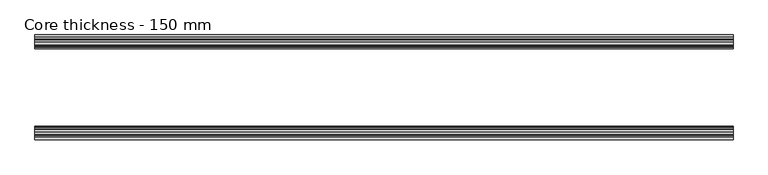
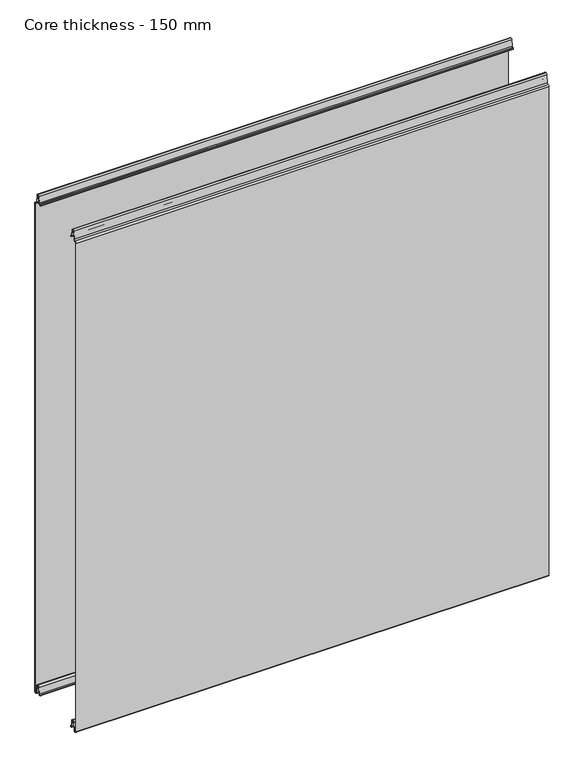
"""IFC4 building model written with IfcOpenShell, lengths in millimetres: plate geometry, Core thickness - 150 mm."""

from ifc_helpers import new_model, si_unit, frame, origin, place, context, project, spatial, polyline, circle_curve, source, transform, mapped, element, save
from ifc_brep_helpers import plane_surface, cylinder_surface, revolved_surface, advanced_brep


def core_thickness_150_mm_6a1f73e3(model_context):
    return source(origin(), model_context, "Body", "AdvancedBrep", [
        advanced_brep(
        [(500.0000002, -149.1996949, 1093.8000005), (500.0000002, -146.6339815, 1096.1942726), (500.0000002, -143.1209335, 1099.1779769), (500.0000002, -141.4584333, 1116.1334653), (500.0000002, -139.1776715, 1118.1999998), (500.0000002, -136.8969097, 1116.1334653), (500.0000002, -135.5642071, 1102.5415123), (500.0000002, -132.9766159, 1100.1952279), (500.0000002, -131.8996949, 1100.1952279), (500.0000002, -131.2996949, 1099.5952279), (500.0000002, -131.2996949, 1098.4952279), (500.0000002, -130.4996949, 1098.4952279), (500.0000002, -130.4996949, 1099.5952279), (500.0000002, -131.8996949, 1100.9952279), (500.0000002, -132.9766159, 1100.9952279), (500.0000002, -134.7680252, 1102.6195786), (500.0000002, -136.1007278, 1116.2115316), (500.0000002, -139.1776715, 1119.0), (500.0000002, -142.2546153, 1116.2115316), (500.0000002, -143.9171154, 1099.2560432), (500.0000002, -146.5778021, 1097.005967), (500.0000002, -149.9996949, 1093.8000005), (500.0000002, -149.9996949, 2.9900682), (500.0000002, -143.81449, 2.6875612), (500.0000002, -142.197116, 19.1828169), (500.0000002, -139.1776715, 21.8898782), (500.0000002, -136.1582271, 19.1828169), (500.0000002, -134.7725998, 5.0510966), (500.0000002, -130.3830995, 5.265779), (500.0000002, -131.1830995, 5.265779), (500.0000002, -133.9764178, 5.1291629), (500.0000002, -135.3620451, 19.2608832), (500.0000002, -139.1776715, 22.6899182), (500.0000002, -142.9932979, 19.2608832), (500.0000002, -144.6106719, 2.7656275), (500.0000002, -149.1996949, 2.9900682), (-500.0000002, -149.2, 1093.8000005), (-500.0000002, -149.2, 2.9900682), (-500.0000002, -144.6106719, 2.7656275), (-500.0000002, -142.9932979, 19.2608832), (-500.0000002, -139.1776715, 22.6899182), (-500.0000002, -135.3620451, 19.2608832), (-500.0000002, -133.9764178, 5.1291629), (-500.0000002, -131.1830995, 5.265779), (-500.0000002, -130.3830995, 5.265779), (-500.0000002, -134.7725998, 5.0510966), (-500.0000002, -136.1582271, 19.1828169), (-500.0000002, -139.1776715, 21.8898782), (-500.0000002, -142.197116, 19.1828169), (-500.0000002, -143.81449, 2.6875612), (-500.0000002, -149.9996949, 2.9900682), (-500.0000002, -149.9996949, 1093.8000005), (-500.0000002, -146.5787437, 1096.9923633), (-500.0000002, -143.9171154, 1099.2560432), (-500.0000002, -142.2546153, 1116.2115316), (-500.0000002, -139.1776715, 1119.0), (-500.0000002, -136.1007278, 1116.2115316), (-500.0000002, -134.7680252, 1102.6195786), (-500.0000002, -132.9766159, 1100.9952279), (-500.0000002, -131.8996949, 1100.9952279), (-500.0000002, -130.4996949, 1099.5952279), (-500.0000002, -130.4996949, 1098.4952279), (-500.0000002, -131.2996949, 1098.4952279), (-500.0000002, -131.2996949, 1099.5952279), (-500.0000002, -131.8996949, 1100.1952279), (-500.0000002, -132.9766159, 1100.1952279), (-500.0000002, -135.5642071, 1102.5415123), (-500.0000002, -136.8969097, 1116.1334653), (-500.0000002, -139.1776715, 1118.1999998), (-500.0000002, -141.4584333, 1116.1334653), (-500.0000002, -143.1209335, 1099.1779769), (-500.0000002, -146.6330399, 1096.2078763)],
        [
            (0, 1, circle_curve(frame((500.0000002, -146.7996949, 1093.8000005), z_axis=(-1.0, 0.0, 0.0), x_axis=(0.0, 0.0, -1.0)), 2.4)),
            (1, 2, circle_curve(frame((500.0000002, -146.4051839, 1099.5000005), z_axis=(1.0, 0.0, 0.0), x_axis=(0.0, 0.0, -1.0)), 3.3)),
            (2, 3),
            (3, 4, circle_curve(frame((500.0000002, -139.1793626, 1115.9100005), z_axis=(-1.0, 0.0, 0.0), x_axis=(0.0, 0.0, -1.0)), 2.29)),
            (4, 5, circle_curve(frame((500.0000002, -139.1759805, 1115.9100005), z_axis=(-1.0, 0.0, 0.0), x_axis=(0.0, 0.0, -1.0)), 2.29)),
            (5, 6),
            (6, 7, circle_curve(frame((500.0000002, -132.9766159, 1102.7952279), z_axis=(1.0, 0.0, 0.0), x_axis=(0.0, 0.0, -1.0)), 2.6)),
            (7, 8),
            (8, 9, circle_curve(frame((500.0000002, -131.8996949, 1099.5952279), z_axis=(-1.0, 0.0, 0.0), x_axis=(0.0, 0.0, -1.0)), 0.6)),
            (9, 10),
            (10, 11),
            (11, 12),
            (12, 13, circle_curve(frame((500.0000002, -131.8996949, 1099.5952279), z_axis=(1.0, 0.0, 0.0), x_axis=(0.0, 0.0, -1.0)), 1.4)),
            (13, 14),
            (14, 15, circle_curve(frame((500.0000002, -132.9766159, 1102.7952279), z_axis=(-1.0, 0.0, 0.0), x_axis=(0.0, 0.0, -1.0)), 1.8)),
            (15, 16),
            (16, 17, circle_curve(frame((500.0000002, -139.1759805, 1115.9100005), z_axis=(1.0, 0.0, 0.0), x_axis=(0.0, 0.0, -1.0)), 3.09)),
            (17, 18, circle_curve(frame((500.0000002, -139.1793626, 1115.9100005), z_axis=(1.0, 0.0, 0.0), x_axis=(0.0, 0.0, -1.0)), 3.09)),
            (18, 19),
            (19, 20, circle_curve(frame((500.0000002, -146.4051839, 1099.5000005), z_axis=(-1.0, 0.0, 0.0), x_axis=(0.0, 0.0, -1.0)), 2.5)),
            (20, 21, circle_curve(frame((500.0000002, -146.7996949, 1093.8000005), z_axis=(1.0, 0.0, 0.0), x_axis=(0.0, 0.0, -1.0)), 3.2)),
            (21, 22),
            (22, 23, circle_curve(frame((500.0000002, -146.8996949, 2.9900682), z_axis=(1.0, 0.0, 0.0), x_axis=(0.0, 0.0, -1.0)), 3.1)),
            (23, 24),
            (24, 25, circle_curve(frame((500.0000002, -139.2114338, 18.8900682), z_axis=(-1.0, 0.0, 0.0), x_axis=(0.0, 0.0, -1.0)), 3.0)),
            (25, 26, circle_curve(frame((500.0000002, -139.1439093, 18.8900682), z_axis=(-1.0, 0.0, 0.0), x_axis=(0.0, 0.0, -1.0)), 3.0)),
            (26, 27),
            (27, 28, circle_curve(frame((500.0000002, -132.5830995, 5.265779), z_axis=(1.0, 0.0, 0.0), x_axis=(0.0, 0.0, -1.0)), 2.2)),
            (28, 29),
            (29, 30, circle_curve(frame((500.0000002, -132.5830995, 5.265779), z_axis=(-1.0, 0.0, 0.0), x_axis=(0.0, 0.0, -1.0)), 1.4)),
            (30, 31),
            (31, 32, circle_curve(frame((500.0000002, -139.1439093, 18.8900682), z_axis=(1.0, 0.0, 0.0), x_axis=(0.0, 0.0, -1.0)), 3.8)),
            (32, 33, circle_curve(frame((500.0000002, -139.2114338, 18.8900682), z_axis=(1.0, 0.0, 0.0), x_axis=(0.0, 0.0, -1.0)), 3.8)),
            (33, 34),
            (34, 35, circle_curve(frame((500.0000002, -146.8996949, 2.9900682), z_axis=(-1.0, 0.0, 0.0), x_axis=(0.0, 0.0, -1.0)), 2.3)),
            (35, 0),
            (36, 37),
            (37, 38, circle_curve(frame((-500.0000002, -146.8996949, 2.9900682), z_axis=(1.0, 0.0, 0.0), x_axis=(0.0, 0.0, -1.0)), 2.3)),
            (38, 39),
            (39, 40, circle_curve(frame((-500.0000002, -139.2114338, 18.8900682), z_axis=(-1.0, 0.0, 0.0), x_axis=(0.0, 0.0, -1.0)), 3.8)),
            (40, 41, circle_curve(frame((-500.0000002, -139.1439093, 18.8900682), z_axis=(-1.0, 0.0, 0.0), x_axis=(0.0, 0.0, -1.0)), 3.8)),
            (41, 42),
            (42, 43, circle_curve(frame((-500.0000002, -132.5830995, 5.265779), z_axis=(1.0, 0.0, 0.0), x_axis=(0.0, 0.0, -1.0)), 1.4)),
            (43, 44),
            (44, 45, circle_curve(frame((-500.0000002, -132.5830995, 5.265779), z_axis=(-1.0, 0.0, 0.0), x_axis=(0.0, 0.0, -1.0)), 2.2)),
            (45, 46),
            (46, 47, circle_curve(frame((-500.0000002, -139.1439093, 18.8900682), z_axis=(1.0, 0.0, 0.0), x_axis=(0.0, 0.0, -1.0)), 3.0)),
            (47, 48, circle_curve(frame((-500.0000002, -139.2114338, 18.8900682), z_axis=(1.0, 0.0, 0.0), x_axis=(0.0, 0.0, -1.0)), 3.0)),
            (48, 49),
            (49, 50, circle_curve(frame((-500.0000002, -146.8996949, 2.9900682), z_axis=(-1.0, 0.0, 0.0), x_axis=(0.0, 0.0, -1.0)), 3.1)),
            (50, 51),
            (51, 52, circle_curve(frame((-500.0000002, -146.7996949, 1093.8000005), z_axis=(-1.0, 0.0, 0.0), x_axis=(0.0, 0.0, -1.0)), 3.2)),
            (52, 53, circle_curve(frame((-500.0000002, -146.4051839, 1099.5000005), z_axis=(1.0, 0.0, 0.0), x_axis=(0.0, 0.0, -1.0)), 2.5)),
            (53, 54),
            (54, 55, circle_curve(frame((-500.0000002, -139.1793626, 1115.9100005), z_axis=(-1.0, 0.0, 0.0), x_axis=(0.0, 0.0, -1.0)), 3.09)),
            (55, 56, circle_curve(frame((-500.0000002, -139.1759805, 1115.9100005), z_axis=(-1.0, 0.0, 0.0), x_axis=(0.0, 0.0, -1.0)), 3.09)),
            (56, 57),
            (57, 58, circle_curve(frame((-500.0000002, -132.9766159, 1102.7952279), z_axis=(1.0, 0.0, 0.0), x_axis=(0.0, 0.0, -1.0)), 1.8)),
            (58, 59),
            (59, 60, circle_curve(frame((-500.0000002, -131.8996949, 1099.5952279), z_axis=(-1.0, 0.0, 0.0), x_axis=(0.0, 0.0, -1.0)), 1.4)),
            (60, 61),
            (61, 62),
            (62, 63),
            (63, 64, circle_curve(frame((-500.0000002, -131.8996949, 1099.5952279), z_axis=(1.0, 0.0, 0.0), x_axis=(0.0, 0.0, -1.0)), 0.6)),
            (64, 65),
            (65, 66, circle_curve(frame((-500.0000002, -132.9766159, 1102.7952279), z_axis=(-1.0, 0.0, 0.0), x_axis=(0.0, 0.0, -1.0)), 2.6)),
            (66, 67),
            (67, 68, circle_curve(frame((-500.0000002, -139.1759805, 1115.9100005), z_axis=(1.0, 0.0, 0.0), x_axis=(0.0, 0.0, -1.0)), 2.29)),
            (68, 69, circle_curve(frame((-500.0000002, -139.1793626, 1115.9100005), z_axis=(1.0, 0.0, 0.0), x_axis=(0.0, 0.0, -1.0)), 2.29)),
            (69, 70),
            (70, 71, circle_curve(frame((-500.0000002, -146.4051839, 1099.5000005), z_axis=(-1.0, 0.0, 0.0), x_axis=(0.0, 0.0, -1.0)), 3.3)),
            (71, 36, circle_curve(frame((-500.0000002, -146.7996949, 1093.8000005), z_axis=(1.0, 0.0, 0.0), x_axis=(0.0, 0.0, -1.0)), 2.4)),
            (35, 37),
            (36, 0),
            (21, 51),
            (50, 22),
            (20, 52),
            (19, 53),
            (18, 54),
            (17, 55),
            (16, 56),
            (15, 57),
            (14, 58),
            (13, 59),
            (12, 60),
            (11, 61),
            (10, 62),
            (9, 63),
            (8, 64),
            (7, 65),
            (6, 66),
            (5, 67),
            (4, 68),
            (3, 69),
            (2, 70),
            (1, 71),
            (34, 38),
            (33, 39),
            (32, 40),
            (31, 41),
            (30, 42),
            (29, 43),
            (28, 44),
            (27, 45),
            (26, 46),
            (25, 47),
            (24, 48),
            (23, 49),
        ],
        [
            plane_surface(frame((500.0000002, -150.0, 0.0), z_axis=(1.0, 0.0, 0.0), x_axis=(0.0, 1.0, 0.0))),
            plane_surface(frame((-500.0000002, -150.0, 0.0), z_axis=(-1.0, 0.0, 0.0), x_axis=(0.0, 1.0, 0.0))),
            plane_surface(frame((500.0000002, -149.2, 2.9900682), z_axis=(0.0, 1.0, 0.0), x_axis=(-1.0, 0.0, 0.0))),
            plane_surface(frame((500.0000002, -149.9996949, 1093.8000005), z_axis=(0.0, -1.0, 0.0), x_axis=(-1.0, 0.0, 0.0))),
            cylinder_surface(frame((500.0000002, -146.7996949, 1093.8000005), z_axis=(1.0, 0.0, 0.0), x_axis=(0.0, 0.0, -1.0)), 3.2),
            revolved_surface(polyline([(-500.0000002, -146.4051839, 1097.0000005), (500.0000002, -146.4051839, 1097.0000005)]), (500.0000002, -146.4051839, 1099.5000005), (-1.0, 0.0, 0.0)),
            plane_surface(frame((500.0000002, -142.2546153, 1116.2115316), z_axis=(0.0, -0.9952273999818317, 0.0975828997591444), x_axis=(-1.0, 0.0, 0.0))),
            cylinder_surface(frame((500.0000002, -139.1793626, 1115.9100005), z_axis=(1.0, 0.0, 0.0), x_axis=(0.0, 0.0, -1.0)), 3.09),
            cylinder_surface(frame((500.0000002, -139.1759805, 1115.9100005), z_axis=(1.0, 0.0, 0.0), x_axis=(0.0, 0.0, -1.0)), 3.09),
            plane_surface(frame((500.0000002, -134.7680252, 1102.6195786), z_axis=(0.0, 0.9952273999818314, 0.0975828997591471), x_axis=(-1.0, 0.0, 0.0))),
            revolved_surface(polyline([(-500.0000002, -132.9766159, 1100.9952279000001), (500.0000002, -132.9766159, 1100.9952279000001)]), (500.0000002, -132.9766159, 1102.7952279), (-1.0, 0.0, 0.0)),
            plane_surface(frame((500.0000002, -131.8996949, 1100.9952279), z_axis=(0.0, 0.0, 1.0), x_axis=(-1.0, 0.0, 0.0))),
            cylinder_surface(frame((500.0000002, -131.8996949, 1099.5952279), z_axis=(1.0, 0.0, 0.0), x_axis=(0.0, 0.0, -1.0)), 1.4),
            plane_surface(frame((500.0000002, -130.4996949, 1098.4952279), z_axis=(0.0, 1.0, 0.0), x_axis=(-1.0, 0.0, 0.0))),
            plane_surface(frame((500.0000002, -131.2996949, 1098.4952279), z_axis=(0.0, 0.0, -1.0), x_axis=(-1.0, 0.0, 0.0))),
            plane_surface(frame((500.0000002, -131.2996949, 1099.5952279), z_axis=(0.0, -1.0, 0.0), x_axis=(-1.0, 0.0, 0.0))),
            revolved_surface(polyline([(-500.0000002, -131.8996949, 1098.9952279000001), (500.0000002, -131.8996949, 1098.9952279000001)]), (500.0000002, -131.8996949, 1099.5952279), (-1.0, 0.0, 0.0)),
            plane_surface(frame((500.0000002, -132.9766159, 1100.1952279), z_axis=(0.0, 0.0, -1.0), x_axis=(-1.0, 0.0, 0.0))),
            cylinder_surface(frame((500.0000002, -132.9766159, 1102.7952279), z_axis=(1.0, 0.0, 0.0), x_axis=(0.0, 0.0, -1.0)), 2.6),
            plane_surface(frame((500.0000002, -136.8969097, 1116.1334653), z_axis=(0.0, -0.9952273999818314, -0.09758289975914705), x_axis=(-1.0, 0.0, 0.0))),
            revolved_surface(polyline([(-500.0000002, -139.1759805, 1113.6200005), (500.0000002, -139.1759805, 1113.6200005)]), (500.0000002, -139.1759805, 1115.9100005), (-1.0, 0.0, 0.0)),
            revolved_surface(polyline([(-500.0000002, -139.1793626, 1113.6200005), (500.0000002, -139.1793626, 1113.6200005)]), (500.0000002, -139.1793626, 1115.9100005), (-1.0, 0.0, 0.0)),
            plane_surface(frame((500.0000002, -143.1209335, 1099.1779769), z_axis=(0.0, 0.9952273999818317, -0.09758289975914436), x_axis=(-1.0, 0.0, 0.0))),
            cylinder_surface(frame((500.0000002, -146.4051839, 1099.5000005), z_axis=(1.0, 0.0, 0.0), x_axis=(0.0, 0.0, -1.0)), 3.3),
            revolved_surface(polyline([(-500.0000002, -146.7996949, 1091.4000004999998), (500.0000002, -146.7996949, 1091.4000004999998)]), (500.0000002, -146.7996949, 1093.8000005), (-1.0, 0.0, 0.0)),
            revolved_surface(polyline([(-500.0000002, -146.8996949, 0.6900682000000002), (500.0000002, -146.8996949, 0.6900682000000002)]), (500.0000002, -146.8996949, 2.9900682), (-1.0, 0.0, 0.0)),
            plane_surface(frame((500.0000002, -142.9932979, 19.2608832), z_axis=(0.0, -0.9952273999818314, 0.09758289975914787), x_axis=(-1.0, 0.0, 0.0))),
            cylinder_surface(frame((500.0000002, -139.2114338, 18.8900682), z_axis=(1.0, 0.0, 0.0), x_axis=(0.0, 0.0, -1.0)), 3.8),
            cylinder_surface(frame((500.0000002, -139.1439093, 18.8900682), z_axis=(1.0, 0.0, 0.0), x_axis=(0.0, 0.0, -1.0)), 3.8),
            plane_surface(frame((500.0000002, -133.9764178, 5.1291629), z_axis=(0.0, 0.9952273999818297, 0.09758289975916531), x_axis=(-1.0, 0.0, 0.0))),
            revolved_surface(polyline([(-500.0000002, -132.5830995, 3.8657790000000003), (500.0000002, -132.5830995, 3.8657790000000003)]), (500.0000002, -132.5830995, 5.265779), (-1.0, 0.0, 0.0)),
            plane_surface(frame((500.0000002, -130.3830995, 5.265779), z_axis=(0.0, 0.0, 1.0), x_axis=(-1.0, 0.0, 0.0))),
            cylinder_surface(frame((500.0000002, -132.5830995, 5.265779), z_axis=(1.0, 0.0, 0.0), x_axis=(0.0, 0.0, -1.0)), 2.2),
            plane_surface(frame((500.0000002, -136.1582271, 19.1828169), z_axis=(0.0, -0.9952273999818296, -0.09758289975916527), x_axis=(-1.0, 0.0, 0.0))),
            revolved_surface(polyline([(-500.0000002, -139.1439093, 15.890068200000002), (500.0000002, -139.1439093, 15.890068200000002)]), (500.0000002, -139.1439093, 18.8900682), (-1.0, 0.0, 0.0)),
            revolved_surface(polyline([(-500.0000002, -139.2114338, 15.890068200000002), (500.0000002, -139.2114338, 15.890068200000002)]), (500.0000002, -139.2114338, 18.8900682), (-1.0, 0.0, 0.0)),
            plane_surface(frame((500.0000002, -143.81449, 2.6875612), z_axis=(0.0, 0.9952273999818314, -0.09758289975914787), x_axis=(-1.0, 0.0, 0.0))),
            cylinder_surface(frame((500.0000002, -146.8996949, 2.9900682), z_axis=(1.0, 0.0, 0.0), x_axis=(0.0, 0.0, -1.0)), 3.1),
        ],
        [
            (0, [[1, 2, 3, 4, 5, 6, 7, 8, 9, 10, 11, 12, 13, 14, 15, 16, 17, 18, 19, 20, 21, 22, 23, 24, 25, 26, 27, 28, 29, 30, 31, 32, 33, 34, 35, 36]]),
            (1, [[37, 38, 39, 40, 41, 42, 43, 44, 45, 46, 47, 48, 49, 50, 51, 52, 53, 54, 55, 56, 57, 58, 59, 60, 61, 62, 63, 64, 65, 66, 67, 68, 69, 70, 71, 72]]),
            (2, [[-36, 73, -37, 74]]),
            (3, [[-22, 75, -51, 76]]),
            (4, [[-21, 77, -52, -75]]),
            (5, [[-20, 78, -53, -77]]),
            (6, [[-19, 79, -54, -78]]),
            (7, [[-18, 80, -55, -79]]),
            (8, [[-17, 81, -56, -80]]),
            (9, [[-16, 82, -57, -81]]),
            (10, [[-15, 83, -58, -82]]),
            (11, [[-14, 84, -59, -83]]),
            (12, [[-13, 85, -60, -84]]),
            (13, [[-12, 86, -61, -85]]),
            (14, [[-11, 87, -62, -86]]),
            (15, [[-10, 88, -63, -87]]),
            (16, [[-9, 89, -64, -88]]),
            (17, [[-8, 90, -65, -89]]),
            (18, [[-7, 91, -66, -90]]),
            (19, [[-6, 92, -67, -91]]),
            (20, [[-5, 93, -68, -92]]),
            (21, [[-4, 94, -69, -93]]),
            (22, [[-3, 95, -70, -94]]),
            (23, [[-2, 96, -71, -95]]),
            (24, [[-1, -74, -72, -96]]),
            (25, [[-35, 97, -38, -73]]),
            (26, [[-34, 98, -39, -97]]),
            (27, [[-33, 99, -40, -98]]),
            (28, [[-32, 100, -41, -99]]),
            (29, [[-31, 101, -42, -100]]),
            (30, [[-30, 102, -43, -101]]),
            (31, [[-29, 103, -44, -102]]),
            (32, [[-28, 104, -45, -103]]),
            (33, [[-27, 105, -46, -104]]),
            (34, [[-26, 106, -47, -105]]),
            (35, [[-25, 107, -48, -106]]),
            (36, [[-24, 108, -49, -107]]),
            (37, [[-23, -76, -50, -108]]),
        ],
    ),
        advanced_brep(
        [(500.0000002, -0.8, 1093.8000005), (500.0000002, -0.8, 2.9900682), (500.0000002, -5.3893281, 2.7656275), (500.0000002, -7.0067021, 19.2608832), (500.0000002, -10.8223285, 22.6899182), (500.0000002, -14.6379549, 19.2608832), (500.0000002, -16.0235822, 5.1291629), (500.0000002, -18.8169005, 5.265779), (500.0000002, -19.6169005, 5.265779), (500.0000002, -15.2274002, 5.0510966), (500.0000002, -13.8417729, 19.1828169), (500.0000002, -10.8223285, 21.8898782), (500.0000002, -7.802884, 19.1828169), (500.0000002, -6.18551, 2.6875612), (500.0000002, -0.0003051, 2.9900682), (500.0000002, -0.0003051, 1093.8000005), (500.0000002, -3.4212563, 1096.9923633), (500.0000002, -6.0828846, 1099.2560432), (500.0000002, -7.7453847, 1116.2115316), (500.0000002, -10.8223285, 1119.0), (500.0000002, -13.8992722, 1116.2115316), (500.0000002, -15.2319748, 1102.6195786), (500.0000002, -17.0233841, 1100.9952279), (500.0000002, -18.1003051, 1100.9952279), (500.0000002, -19.5003051, 1099.5952279), (500.0000002, -19.5003051, 1098.4952279), (500.0000002, -18.7003051, 1098.4952279), (500.0000002, -18.7003051, 1099.5952279), (500.0000002, -18.1003051, 1100.1952279), (500.0000002, -17.0233841, 1100.1952279), (500.0000002, -14.4357929, 1102.5415123), (500.0000002, -13.1030903, 1116.1334653), (500.0000002, -10.8223285, 1118.1999998), (500.0000002, -8.5415667, 1116.1334653), (500.0000002, -6.8790665, 1099.1779769), (500.0000002, -3.3669601, 1096.2078763), (-500.0000002, -0.8003051, 1093.8000005), (-500.0000002, -3.3660185, 1096.1942726), (-500.0000002, -6.8790665, 1099.1779769), (-500.0000002, -8.5415667, 1116.1334653), (-500.0000002, -10.8223285, 1118.1999998), (-500.0000002, -13.1030903, 1116.1334653), (-500.0000002, -14.4357929, 1102.5415123), (-500.0000002, -17.0233841, 1100.1952279), (-500.0000002, -18.1003051, 1100.1952279), (-500.0000002, -18.7003051, 1099.5952279), (-500.0000002, -18.7003051, 1098.4952279), (-500.0000002, -19.5003051, 1098.4952279), (-500.0000002, -19.5003051, 1099.5952279), (-500.0000002, -18.1003051, 1100.9952279), (-500.0000002, -17.0233841, 1100.9952279), (-500.0000002, -15.2319748, 1102.6195786), (-500.0000002, -13.8992722, 1116.2115316), (-500.0000002, -10.8223285, 1119.0), (-500.0000002, -7.7453847, 1116.2115316), (-500.0000002, -6.0828846, 1099.2560432), (-500.0000002, -3.4221979, 1097.005967), (-500.0000002, -0.0003051, 1093.8000005), (-500.0000002, -0.0003051, 2.9900682), (-500.0000002, -6.18551, 2.6875612), (-500.0000002, -7.802884, 19.1828169), (-500.0000002, -10.8223285, 21.8898782), (-500.0000002, -13.8417729, 19.1828169), (-500.0000002, -15.2274002, 5.0510966), (-500.0000002, -19.6169005, 5.265779), (-500.0000002, -18.8169005, 5.265779), (-500.0000002, -16.0235822, 5.1291629), (-500.0000002, -14.6379549, 19.2608832), (-500.0000002, -10.8223285, 22.6899182), (-500.0000002, -7.0067021, 19.2608832), (-500.0000002, -5.3893281, 2.7656275), (-500.0000002, -0.8003051, 2.9900682)],
        [
            (0, 1),
            (1, 2, circle_curve(frame((500.0000002, -3.1003051, 2.9900682), z_axis=(-1.0, 0.0, 0.0), x_axis=(0.0, 0.0, -1.0)), 2.3)),
            (2, 3),
            (3, 4, circle_curve(frame((500.0000002, -10.7885662, 18.8900682), z_axis=(1.0, 0.0, 0.0), x_axis=(0.0, 0.0, -1.0)), 3.8)),
            (4, 5, circle_curve(frame((500.0000002, -10.8560907, 18.8900682), z_axis=(1.0, 0.0, 0.0), x_axis=(0.0, 0.0, -1.0)), 3.8)),
            (5, 6),
            (6, 7, circle_curve(frame((500.0000002, -17.4169005, 5.265779), z_axis=(-1.0, 0.0, 0.0), x_axis=(0.0, 0.0, -1.0)), 1.4)),
            (7, 8),
            (8, 9, circle_curve(frame((500.0000002, -17.4169005, 5.265779), z_axis=(1.0, 0.0, 0.0), x_axis=(0.0, 0.0, -1.0)), 2.2)),
            (9, 10),
            (10, 11, circle_curve(frame((500.0000002, -10.8560907, 18.8900682), z_axis=(-1.0, 0.0, 0.0), x_axis=(0.0, 0.0, -1.0)), 3.0)),
            (11, 12, circle_curve(frame((500.0000002, -10.7885662, 18.8900682), z_axis=(-1.0, 0.0, 0.0), x_axis=(0.0, 0.0, -1.0)), 3.0)),
            (12, 13),
            (13, 14, circle_curve(frame((500.0000002, -3.1003051, 2.9900682), z_axis=(1.0, 0.0, 0.0), x_axis=(0.0, 0.0, -1.0)), 3.1)),
            (14, 15),
            (15, 16, circle_curve(frame((500.0000002, -3.2003051, 1093.8000005), z_axis=(1.0, 0.0, 0.0), x_axis=(0.0, 0.0, -1.0)), 3.2)),
            (16, 17, circle_curve(frame((500.0000002, -3.5948161, 1099.5000005), z_axis=(-1.0, 0.0, 0.0), x_axis=(0.0, 0.0, -1.0)), 2.5)),
            (17, 18),
            (18, 19, circle_curve(frame((500.0000002, -10.8206374, 1115.9100005), z_axis=(1.0, 0.0, 0.0), x_axis=(0.0, 0.0, -1.0)), 3.09)),
            (19, 20, circle_curve(frame((500.0000002, -10.8240195, 1115.9100005), z_axis=(1.0, 0.0, 0.0), x_axis=(0.0, 0.0, -1.0)), 3.09)),
            (20, 21),
            (21, 22, circle_curve(frame((500.0000002, -17.0233841, 1102.7952279), z_axis=(-1.0, 0.0, 0.0), x_axis=(0.0, 0.0, -1.0)), 1.8)),
            (22, 23),
            (23, 24, circle_curve(frame((500.0000002, -18.1003051, 1099.5952279), z_axis=(1.0, 0.0, 0.0), x_axis=(0.0, 0.0, -1.0)), 1.4)),
            (24, 25),
            (25, 26),
            (26, 27),
            (27, 28, circle_curve(frame((500.0000002, -18.1003051, 1099.5952279), z_axis=(-1.0, 0.0, 0.0), x_axis=(0.0, 0.0, -1.0)), 0.6)),
            (28, 29),
            (29, 30, circle_curve(frame((500.0000002, -17.0233841, 1102.7952279), z_axis=(1.0, 0.0, 0.0), x_axis=(0.0, 0.0, -1.0)), 2.6)),
            (30, 31),
            (31, 32, circle_curve(frame((500.0000002, -10.8240195, 1115.9100005), z_axis=(-1.0, 0.0, 0.0), x_axis=(0.0, 0.0, -1.0)), 2.29)),
            (32, 33, circle_curve(frame((500.0000002, -10.8206374, 1115.9100005), z_axis=(-1.0, 0.0, 0.0), x_axis=(0.0, 0.0, -1.0)), 2.29)),
            (33, 34),
            (34, 35, circle_curve(frame((500.0000002, -3.5948161, 1099.5000005), z_axis=(1.0, 0.0, 0.0), x_axis=(0.0, 0.0, -1.0)), 3.3)),
            (35, 0, circle_curve(frame((500.0000002, -3.2003051, 1093.8000005), z_axis=(-1.0, 0.0, 0.0), x_axis=(0.0, 0.0, -1.0)), 2.4)),
            (36, 37, circle_curve(frame((-500.0000002, -3.2003051, 1093.8000005), z_axis=(1.0, 0.0, 0.0), x_axis=(0.0, 0.0, -1.0)), 2.4)),
            (37, 38, circle_curve(frame((-500.0000002, -3.5948161, 1099.5000005), z_axis=(-1.0, 0.0, 0.0), x_axis=(0.0, 0.0, -1.0)), 3.3)),
            (38, 39),
            (39, 40, circle_curve(frame((-500.0000002, -10.8206374, 1115.9100005), z_axis=(1.0, 0.0, 0.0), x_axis=(0.0, 0.0, -1.0)), 2.29)),
            (40, 41, circle_curve(frame((-500.0000002, -10.8240195, 1115.9100005), z_axis=(1.0, 0.0, 0.0), x_axis=(0.0, 0.0, -1.0)), 2.29)),
            (41, 42),
            (42, 43, circle_curve(frame((-500.0000002, -17.0233841, 1102.7952279), z_axis=(-1.0, 0.0, 0.0), x_axis=(0.0, 0.0, -1.0)), 2.6)),
            (43, 44),
            (44, 45, circle_curve(frame((-500.0000002, -18.1003051, 1099.5952279), z_axis=(1.0, 0.0, 0.0), x_axis=(0.0, 0.0, -1.0)), 0.6)),
            (45, 46),
            (46, 47),
            (47, 48),
            (48, 49, circle_curve(frame((-500.0000002, -18.1003051, 1099.5952279), z_axis=(-1.0, 0.0, 0.0), x_axis=(0.0, 0.0, -1.0)), 1.4)),
            (49, 50),
            (50, 51, circle_curve(frame((-500.0000002, -17.0233841, 1102.7952279), z_axis=(1.0, 0.0, 0.0), x_axis=(0.0, 0.0, -1.0)), 1.8)),
            (51, 52),
            (52, 53, circle_curve(frame((-500.0000002, -10.8240195, 1115.9100005), z_axis=(-1.0, 0.0, 0.0), x_axis=(0.0, 0.0, -1.0)), 3.09)),
            (53, 54, circle_curve(frame((-500.0000002, -10.8206374, 1115.9100005), z_axis=(-1.0, 0.0, 0.0), x_axis=(0.0, 0.0, -1.0)), 3.09)),
            (54, 55),
            (55, 56, circle_curve(frame((-500.0000002, -3.5948161, 1099.5000005), z_axis=(1.0, 0.0, 0.0), x_axis=(0.0, 0.0, -1.0)), 2.5)),
            (56, 57, circle_curve(frame((-500.0000002, -3.2003051, 1093.8000005), z_axis=(-1.0, 0.0, 0.0), x_axis=(0.0, 0.0, -1.0)), 3.2)),
            (57, 58),
            (58, 59, circle_curve(frame((-500.0000002, -3.1003051, 2.9900682), z_axis=(-1.0, 0.0, 0.0), x_axis=(0.0, 0.0, -1.0)), 3.1)),
            (59, 60),
            (60, 61, circle_curve(frame((-500.0000002, -10.7885662, 18.8900682), z_axis=(1.0, 0.0, 0.0), x_axis=(0.0, 0.0, -1.0)), 3.0)),
            (61, 62, circle_curve(frame((-500.0000002, -10.8560907, 18.8900682), z_axis=(1.0, 0.0, 0.0), x_axis=(0.0, 0.0, -1.0)), 3.0)),
            (62, 63),
            (63, 64, circle_curve(frame((-500.0000002, -17.4169005, 5.265779), z_axis=(-1.0, 0.0, 0.0), x_axis=(0.0, 0.0, -1.0)), 2.2)),
            (64, 65),
            (65, 66, circle_curve(frame((-500.0000002, -17.4169005, 5.265779), z_axis=(1.0, 0.0, 0.0), x_axis=(0.0, 0.0, -1.0)), 1.4)),
            (66, 67),
            (67, 68, circle_curve(frame((-500.0000002, -10.8560907, 18.8900682), z_axis=(-1.0, 0.0, 0.0), x_axis=(0.0, 0.0, -1.0)), 3.8)),
            (68, 69, circle_curve(frame((-500.0000002, -10.7885662, 18.8900682), z_axis=(-1.0, 0.0, 0.0), x_axis=(0.0, 0.0, -1.0)), 3.8)),
            (69, 70),
            (70, 71, circle_curve(frame((-500.0000002, -3.1003051, 2.9900682), z_axis=(1.0, 0.0, 0.0), x_axis=(0.0, 0.0, -1.0)), 2.3)),
            (71, 36),
            (35, 37),
            (36, 0),
            (34, 38),
            (33, 39),
            (32, 40),
            (31, 41),
            (30, 42),
            (29, 43),
            (28, 44),
            (27, 45),
            (26, 46),
            (25, 47),
            (24, 48),
            (23, 49),
            (22, 50),
            (21, 51),
            (20, 52),
            (19, 53),
            (18, 54),
            (17, 55),
            (16, 56),
            (15, 57),
            (14, 58),
            (71, 1),
            (13, 59),
            (12, 60),
            (11, 61),
            (10, 62),
            (9, 63),
            (8, 64),
            (7, 65),
            (6, 66),
            (5, 67),
            (4, 68),
            (3, 69),
            (2, 70),
        ],
        [
            plane_surface(frame((500.0000002, 0.0, 0.0), z_axis=(1.0, 0.0, 0.0), x_axis=(0.0, -1.0, 0.0))),
            plane_surface(frame((-500.0000002, 0.0, 0.0), z_axis=(-1.0, 0.0, 0.0), x_axis=(0.0, -1.0, 0.0))),
            revolved_surface(polyline([(-500.0000002, -3.2003051, 1091.4000004999998), (500.0000002, -3.2003051, 1091.4000004999998)]), (500.0000002, -3.2003051, 1093.8000005), (-1.0, 0.0, 0.0)),
            cylinder_surface(frame((500.0000002, -3.5948161, 1099.5000005), z_axis=(1.0, 0.0, 0.0), x_axis=(0.0, 0.0, -1.0)), 3.3),
            plane_surface(frame((500.0000002, -8.5415667, 1116.1334653), z_axis=(0.0, -0.9952273999818317, -0.09758289975914436), x_axis=(-1.0, 0.0, 0.0))),
            revolved_surface(polyline([(-500.0000002, -10.8206374, 1113.6200005), (500.0000002, -10.8206374, 1113.6200005)]), (500.0000002, -10.8206374, 1115.9100005), (-1.0, 0.0, 0.0)),
            revolved_surface(polyline([(-500.0000002, -10.8240195, 1113.6200005), (500.0000002, -10.8240195, 1113.6200005)]), (500.0000002, -10.8240195, 1115.9100005), (-1.0, 0.0, 0.0)),
            plane_surface(frame((500.0000002, -14.4357929, 1102.5415123), z_axis=(0.0, 0.9952273999818314, -0.09758289975914705), x_axis=(-1.0, 0.0, 0.0))),
            cylinder_surface(frame((500.0000002, -17.0233841, 1102.7952279), z_axis=(1.0, 0.0, 0.0), x_axis=(0.0, 0.0, -1.0)), 2.6),
            plane_surface(frame((500.0000002, -18.1003051, 1100.1952279), z_axis=(0.0, 0.0, -1.0), x_axis=(-1.0, 0.0, 0.0))),
            revolved_surface(polyline([(-500.0000002, -18.1003051, 1098.9952279000001), (500.0000002, -18.1003051, 1098.9952279000001)]), (500.0000002, -18.1003051, 1099.5952279), (-1.0, 0.0, 0.0)),
            plane_surface(frame((500.0000002, -18.7003051, 1098.4952279), z_axis=(0.0, 1.0, 0.0), x_axis=(-1.0, 0.0, 0.0))),
            plane_surface(frame((500.0000002, -19.5003051, 1098.4952279), z_axis=(0.0, 0.0, -1.0), x_axis=(-1.0, 0.0, 0.0))),
            plane_surface(frame((500.0000002, -19.5003051, 1099.5952279), z_axis=(0.0, -1.0, 0.0), x_axis=(-1.0, 0.0, 0.0))),
            cylinder_surface(frame((500.0000002, -18.1003051, 1099.5952279), z_axis=(1.0, 0.0, 0.0), x_axis=(0.0, 0.0, -1.0)), 1.4),
            plane_surface(frame((500.0000002, -17.0233841, 1100.9952279), z_axis=(0.0, 0.0, 1.0), x_axis=(-1.0, 0.0, 0.0))),
            revolved_surface(polyline([(-500.0000002, -17.0233841, 1100.9952279000001), (500.0000002, -17.0233841, 1100.9952279000001)]), (500.0000002, -17.0233841, 1102.7952279), (-1.0, 0.0, 0.0)),
            plane_surface(frame((500.0000002, -13.8992722, 1116.2115316), z_axis=(0.0, -0.9952273999818314, 0.0975828997591471), x_axis=(-1.0, 0.0, 0.0))),
            cylinder_surface(frame((500.0000002, -10.8240195, 1115.9100005), z_axis=(1.0, 0.0, 0.0), x_axis=(0.0, 0.0, -1.0)), 3.09),
            cylinder_surface(frame((500.0000002, -10.8206374, 1115.9100005), z_axis=(1.0, 0.0, 0.0), x_axis=(0.0, 0.0, -1.0)), 3.09),
            plane_surface(frame((500.0000002, -6.0828846, 1099.2560432), z_axis=(0.0, 0.9952273999818317, 0.0975828997591444), x_axis=(-1.0, 0.0, 0.0))),
            revolved_surface(polyline([(-500.0000002, -3.5948161, 1097.0000005), (500.0000002, -3.5948161, 1097.0000005)]), (500.0000002, -3.5948161, 1099.5000005), (-1.0, 0.0, 0.0)),
            cylinder_surface(frame((500.0000002, -3.2003051, 1093.8000005), z_axis=(1.0, 0.0, 0.0), x_axis=(0.0, 0.0, -1.0)), 3.2),
            plane_surface(frame((500.0000002, -0.0003051, 2.9900682), z_axis=(0.0, 1.0, 0.0), x_axis=(-1.0, 0.0, 0.0))),
            plane_surface(frame((500.0000002, -0.8, 1093.8000005), z_axis=(0.0, -1.0, 0.0), x_axis=(-1.0, 0.0, 0.0))),
            cylinder_surface(frame((500.0000002, -3.1003051, 2.9900682), z_axis=(1.0, 0.0, 0.0), x_axis=(0.0, 0.0, -1.0)), 3.1),
            plane_surface(frame((500.0000002, -7.802884, 19.1828169), z_axis=(0.0, -0.9952273999818314, -0.09758289975914787), x_axis=(-1.0, 0.0, 0.0))),
            revolved_surface(polyline([(-500.0000002, -10.7885662, 15.890068200000002), (500.0000002, -10.7885662, 15.890068200000002)]), (500.0000002, -10.7885662, 18.8900682), (-1.0, 0.0, 0.0)),
            revolved_surface(polyline([(-500.0000002, -10.8560907, 15.890068200000002), (500.0000002, -10.8560907, 15.890068200000002)]), (500.0000002, -10.8560907, 18.8900682), (-1.0, 0.0, 0.0)),
            plane_surface(frame((500.0000002, -15.2274002, 5.0510966), z_axis=(0.0, 0.9952273999818296, -0.09758289975916527), x_axis=(-1.0, 0.0, 0.0))),
            cylinder_surface(frame((500.0000002, -17.4169005, 5.265779), z_axis=(1.0, 0.0, 0.0), x_axis=(0.0, 0.0, -1.0)), 2.2),
            plane_surface(frame((500.0000002, -18.8169005, 5.265779), z_axis=(0.0, 0.0, 1.0), x_axis=(-1.0, 0.0, 0.0))),
            revolved_surface(polyline([(-500.0000002, -17.4169005, 3.8657790000000003), (500.0000002, -17.4169005, 3.8657790000000003)]), (500.0000002, -17.4169005, 5.265779), (-1.0, 0.0, 0.0)),
            plane_surface(frame((500.0000002, -14.6379549, 19.2608832), z_axis=(0.0, -0.9952273999818297, 0.09758289975916531), x_axis=(-1.0, 0.0, 0.0))),
            cylinder_surface(frame((500.0000002, -10.8560907, 18.8900682), z_axis=(1.0, 0.0, 0.0), x_axis=(0.0, 0.0, -1.0)), 3.8),
            cylinder_surface(frame((500.0000002, -10.7885662, 18.8900682), z_axis=(1.0, 0.0, 0.0), x_axis=(0.0, 0.0, -1.0)), 3.8),
            plane_surface(frame((500.0000002, -5.3893281, 2.7656275), z_axis=(0.0, 0.9952273999818314, 0.09758289975914787), x_axis=(-1.0, 0.0, 0.0))),
            revolved_surface(polyline([(-500.0000002, -3.1003051, 0.6900682000000002), (500.0000002, -3.1003051, 0.6900682000000002)]), (500.0000002, -3.1003051, 2.9900682), (-1.0, 0.0, 0.0)),
        ],
        [
            (0, [[1, 2, 3, 4, 5, 6, 7, 8, 9, 10, 11, 12, 13, 14, 15, 16, 17, 18, 19, 20, 21, 22, 23, 24, 25, 26, 27, 28, 29, 30, 31, 32, 33, 34, 35, 36]]),
            (1, [[37, 38, 39, 40, 41, 42, 43, 44, 45, 46, 47, 48, 49, 50, 51, 52, 53, 54, 55, 56, 57, 58, 59, 60, 61, 62, 63, 64, 65, 66, 67, 68, 69, 70, 71, 72]]),
            (2, [[-36, 73, -37, 74]]),
            (3, [[-35, 75, -38, -73]]),
            (4, [[-34, 76, -39, -75]]),
            (5, [[-33, 77, -40, -76]]),
            (6, [[-32, 78, -41, -77]]),
            (7, [[-31, 79, -42, -78]]),
            (8, [[-30, 80, -43, -79]]),
            (9, [[-29, 81, -44, -80]]),
            (10, [[-28, 82, -45, -81]]),
            (11, [[-27, 83, -46, -82]]),
            (12, [[-26, 84, -47, -83]]),
            (13, [[-25, 85, -48, -84]]),
            (14, [[-24, 86, -49, -85]]),
            (15, [[-23, 87, -50, -86]]),
            (16, [[-22, 88, -51, -87]]),
            (17, [[-21, 89, -52, -88]]),
            (18, [[-20, 90, -53, -89]]),
            (19, [[-19, 91, -54, -90]]),
            (20, [[-18, 92, -55, -91]]),
            (21, [[-17, 93, -56, -92]]),
            (22, [[-16, 94, -57, -93]]),
            (23, [[-15, 95, -58, -94]]),
            (24, [[-1, -74, -72, 96]]),
            (25, [[-14, 97, -59, -95]]),
            (26, [[-13, 98, -60, -97]]),
            (27, [[-12, 99, -61, -98]]),
            (28, [[-11, 100, -62, -99]]),
            (29, [[-10, 101, -63, -100]]),
            (30, [[-9, 102, -64, -101]]),
            (31, [[-8, 103, -65, -102]]),
            (32, [[-7, 104, -66, -103]]),
            (33, [[-6, 105, -67, -104]]),
            (34, [[-5, 106, -68, -105]]),
            (35, [[-4, 107, -69, -106]]),
            (36, [[-3, 108, -70, -107]]),
            (37, [[-2, -96, -71, -108]]),
        ],
    ),
    ])


if __name__ == "__main__":
    model = new_model("IFC4")
    model_context = context("Model", 3, world=origin())
    ifc_project = project(units=[si_unit("LENGTHUNIT", "METRE", prefix="MILLI")], contexts=[model_context])
    site = spatial("IfcSite", under=ifc_project)
    building = spatial("IfcBuilding", under=site)
    placement = place(None, origin())
    core_thickness_150_mm_shape = core_thickness_150_mm_6a1f73e3(model_context)
    element("IfcPlate", 1, ObjectType="Core thickness - 150 mm", at=placement, inside=building, context=model_context, shape_type="MappedRepresentation", body=[
        mapped(core_thickness_150_mm_shape, transform((0.0, 0.0, 0.0), x_axis=(1.0, 0.0, 0.0), y_axis=(0.0, 1.0, 0.0), z_axis=(0.0, 0.0, 1.0))),
    ])
    save(model, "model.ifc")
